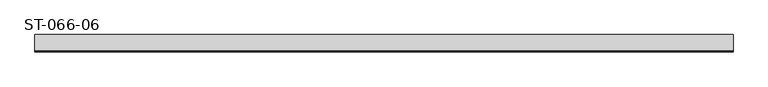
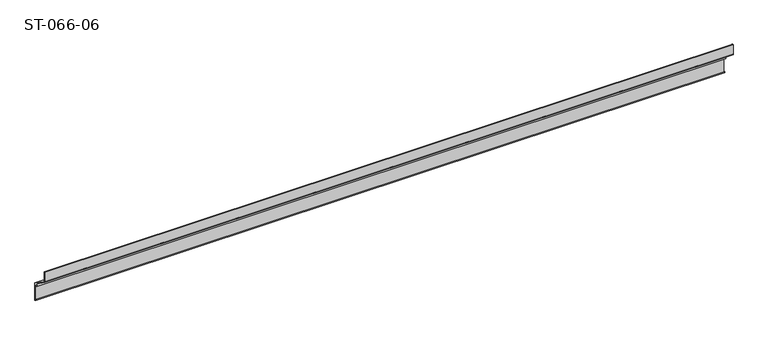
"""IFC4 building model written with IfcOpenShell, lengths in millimetres: plate geometry, ST-066-06."""

from ifc_helpers import new_model, si_unit, frame, origin, place, context, project, spatial, polyline, outline, extrude, source, transform, mapped, element, save


def st_066_06_f19f7c52(model_context):
    return source(origin(), model_context, "Body", "SweptSolid", [
        extrude(outline(polyline([(26.6900039, -43.5146264), (23.3790144, -41.6030258), (25.4893427, -37.9478299), (0.0, -20.1), (0.0, -0.7), (0.9441459, -0.2085088), (1.7235764, -0.7542719), (1.4, -2.5416698), (1.4, -19.3712061), (31.0, -40.0973493), (31.0, -73.6499385), (27.0, -70.8491084), (27.0, -69.3841789), (29.6, -71.2047185), (29.6, -44.6681542), (28.3532193, -41.9944243), (27.9841575, -40.6170671), (26.0523059, -41.1347052), (26.6900039, -43.5146264)])), frame((-630.0, 0.0, 0.0), z_axis=(1.0, 0.0, 0.0), x_axis=(0.0, 1.0, 0.0)), (0.0, 0.0, 1.0), 1259.7321324),
    ])


if __name__ == "__main__":
    model = new_model("IFC4")
    model_context = context("Model", 3, world=origin())
    ifc_project = project(units=[si_unit("LENGTHUNIT", "METRE", prefix="MILLI")], contexts=[model_context])
    site = spatial("IfcSite", under=ifc_project)
    building = spatial("IfcBuilding", under=site)
    placement = place(None, origin())
    st_066_06_shape = st_066_06_f19f7c52(model_context)
    element("IfcPlate", 1, ObjectType="ST-066-06", at=placement, inside=building, context=model_context, shape_type="MappedRepresentation", body=[
        mapped(st_066_06_shape, transform((0.0, 0.0, 0.0), x_axis=(1.0, 0.0, 0.0), y_axis=(0.0, 1.0, 0.0), z_axis=(0.0, 0.0, 1.0))),
    ])
    save(model, "model.ifc")
